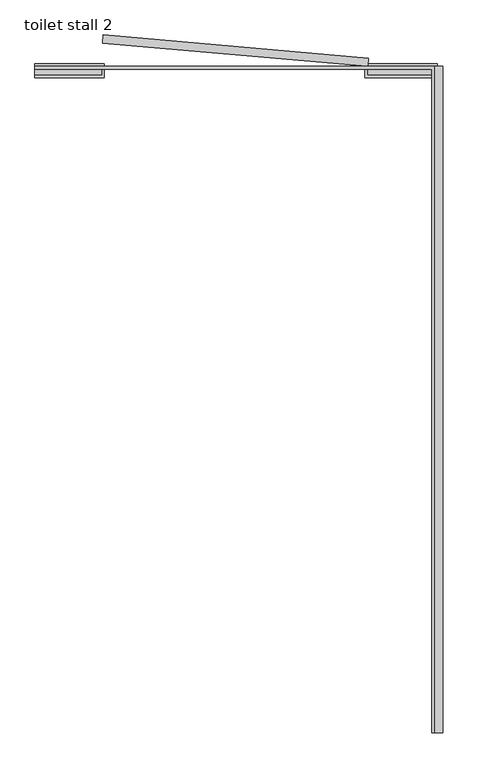
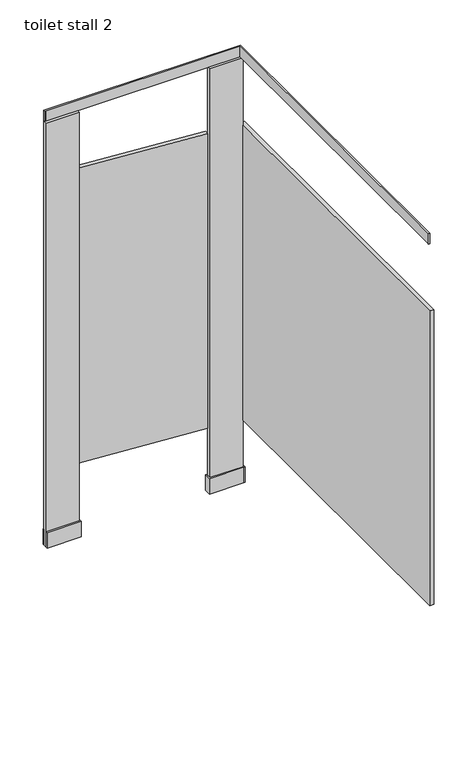
"""IFC4 building model written with IfcOpenShell, lengths in millimetres: proxy geometry, toilet stall 2."""

from ifc_helpers import new_model, si_unit, frame, origin, origin_with_axes, place, context, project, spatial, polyline, outline, extrude, source, transform, mapped, element, save


def toilet_stall_2_6d0d755e(model_context):
    return source(origin(), model_context, "Body", "SweptSolid", [
        extrude(outline(polyline([(450.85, 62.0), (450.85, 68.35), (450.85, 1579.65), (-450.85, 1579.65), (-457.2, 1579.65), (-457.2, 1586.0), (457.2, 1586.0), (457.2, 62.0), (450.85, 62.0)])), frame((0.0, 0.0, 2082.8), z_axis=(0.0, 0.0, 1.0), x_axis=(1.0, 0.0, 0.0)), (0.0, 0.0, 1.0), 50.8),
        extrude(outline(polyline([(-304.8, 1586.0), (-457.2, 1586.0), (-457.2, 1592.35), (-298.45, 1592.35), (-298.45, 1586.0), (-298.45, 1566.95), (-298.45, 1560.6), (-457.2, 1560.6), (-457.2, 1566.95), (-304.8, 1566.95), (-304.8, 1586.0)])), origin_with_axes(), (0.0, 0.0, 1.0), 76.2),
        extrude(outline(polyline([(304.8, 1592.35), (457.2, 1592.35), (463.55, 1592.35), (463.55, 1560.6), (457.2, 1560.6), (298.45, 1560.6), (298.45, 1592.35), (304.8, 1592.35)]), holes=[polyline([(304.8, 1586.0), (304.8, 1566.95), (457.2, 1566.95), (457.2, 1586.0), (304.8, 1586.0)])]), origin_with_axes(), (0.0, 0.0, 1.0), 76.2),
        extrude(outline(polyline([(-300.8199711, 1658.1076498), (306.4603169, 1604.977509), (304.8, 1586.0), (-302.480288, 1639.1301408), (-300.8199711, 1658.1076498)])), frame((0.0, 0.0, 304.8), z_axis=(0.0, 0.0, 1.0), x_axis=(1.0, 0.0, 0.0)), (0.0, 0.0, 1.0), 1447.8),
        extrude(outline(polyline([(457.2, 1566.95), (304.8, 1566.95), (304.8, 1586.0), (457.2, 1586.0), (457.2, 1566.95)])), origin_with_axes(), (0.0, 0.0, 1.0), 2082.8),
        extrude(outline(polyline([(-304.8, 1566.95), (-457.2, 1566.95), (-457.2, 1586.0), (-304.8, 1586.0), (-304.8, 1566.95)])), origin_with_axes(), (0.0, 0.0, 1.0), 2082.8),
        extrude(outline(polyline([(476.25, 1586.0), (476.25, 62.0), (457.2, 62.0), (457.2, 1586.0), (476.25, 1586.0)])), frame((0.0, 0.0, 304.8), z_axis=(0.0, 0.0, 1.0), x_axis=(1.0, 0.0, 0.0)), (0.0, 0.0, 1.0), 1447.8),
    ])


if __name__ == "__main__":
    model = new_model("IFC4")
    model_context = context("Model", 3, world=origin())
    ifc_project = project(units=[si_unit("LENGTHUNIT", "METRE", prefix="MILLI")], contexts=[model_context])
    site = spatial("IfcSite", under=ifc_project)
    building = spatial("IfcBuilding", under=site)
    placement = place(None, origin())
    toilet_stall_2_shape = toilet_stall_2_6d0d755e(model_context)
    element("IfcBuildingElementProxy", 1, Name="toilet stall 2", ObjectType="toilet stall 2", at=placement, inside=building, context=model_context, shape_type="MappedRepresentation", body=[
        mapped(toilet_stall_2_shape, transform((0.0, 0.0, 0.0), x_axis=(1.0, 0.0, 0.0), y_axis=(0.0, 1.0, 0.0), z_axis=(0.0, 0.0, 1.0))),
    ])
    save(model, "model.ifc")
